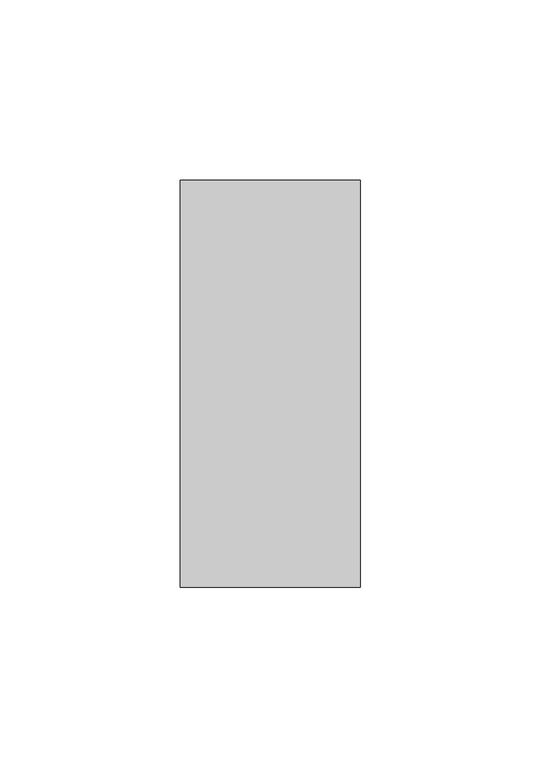
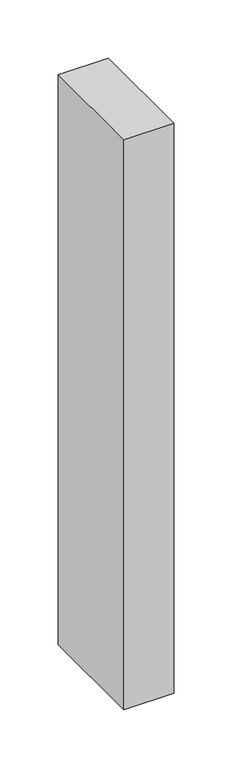
"""IFC4 building model written with IfcOpenShell, lengths in millimetres: member geometry."""

from ifc_helpers import new_model, si_unit, frame, origin, place, context, project, spatial, polyline, outline, extrude, source, transform, mapped, element, save


def member_00140743(model_context):
    return source(origin(), model_context, "Body", "SweptSolid", [
        extrude(outline(polyline([(-50.0, -22.0), (-50.0, 91.0), (0.0, 91.0), (0.0, -22.0), (-50.0, -22.0)])), frame((0.0, 0.0, -600.0), z_axis=(0.0, 0.0, 1.0), x_axis=(1.0, 0.0, 0.0)), (0.0, 0.0, 1.0), 600.0),
    ])


if __name__ == "__main__":
    model = new_model("IFC4")
    model_context = context("Model", 3, world=origin())
    ifc_project = project(units=[si_unit("LENGTHUNIT", "METRE", prefix="MILLI")], contexts=[model_context])
    site = spatial("IfcSite", under=ifc_project)
    building = spatial("IfcBuilding", under=site)
    placement = place(None, origin())
    member_shape = member_00140743(model_context)
    element("IfcMember", 1, at=placement, inside=building, context=model_context, shape_type="MappedRepresentation", body=[
        mapped(member_shape, transform((0.0, 0.0, 0.0), x_axis=(1.0, 0.0, 0.0), y_axis=(0.0, 1.0, 0.0), z_axis=(0.0, 0.0, 1.0))),
    ])
    save(model, "model.ifc")
